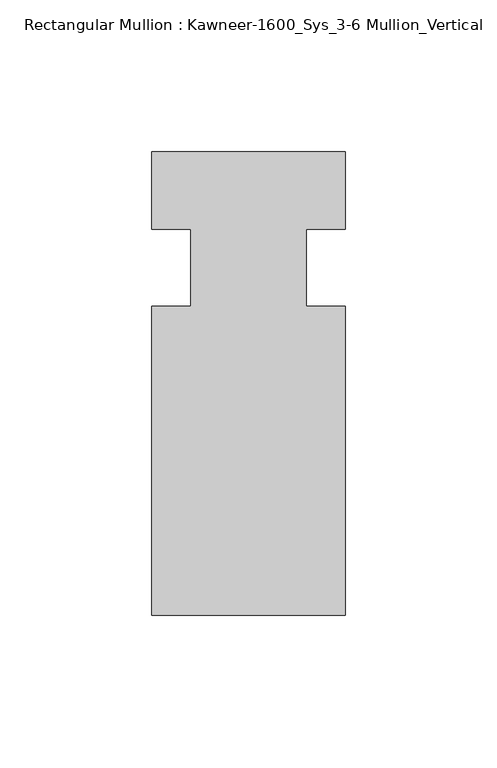
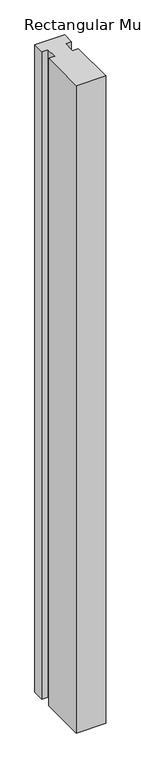
"""IFC4 building model written with IfcOpenShell, lengths in millimetres: member geometry, Rectangular Mullion : Kawneer-1600_Sys_3-6 Mullion_Vertical."""

from ifc_helpers import new_model, si_unit, frame, origin, place, context, project, spatial, polyline, outline, extrude, source, transform, mapped, element, save


def rectangular_mullion_kawneer_1600_sys_3_6_mullion_vertical_940222d6(model_context):
    return source(origin(), model_context, "Body", "SweptSolid", [
        extrude(outline(polyline([(36.0844027, -114.3), (-27.4155973, -114.3), (-27.4155973, -12.7), (-14.7155973, -12.7), (-14.7155973, 12.7), (-27.4155973, 12.7), (-27.4155973, 38.1), (36.0844027, 38.1), (36.0844027, 12.7), (23.3826322, 12.7), (23.3826322, -12.7), (36.0844027, -12.7), (36.0844027, -114.3)])), frame((0.0, 0.0, -1463.04), z_axis=(0.0, 0.0, 1.0), x_axis=(1.0, 0.0, 0.0)), (0.0, 0.0, 1.0), 1463.04),
    ])


if __name__ == "__main__":
    model = new_model("IFC4")
    model_context = context("Model", 3, world=origin())
    ifc_project = project(units=[si_unit("LENGTHUNIT", "METRE", prefix="MILLI")], contexts=[model_context])
    site = spatial("IfcSite", under=ifc_project)
    building = spatial("IfcBuilding", under=site)
    placement = place(None, origin())
    rectangular_mullion_kawneer_1600_sys_3_6_mullion_vertical_shape = rectangular_mullion_kawneer_1600_sys_3_6_mullion_vertical_940222d6(model_context)
    element("IfcMember", 1, ObjectType="Rectangular Mullion : Kawneer-1600_Sys_3-6 Mullion_Vertical", at=placement, inside=building, context=model_context, shape_type="MappedRepresentation", body=[
        mapped(rectangular_mullion_kawneer_1600_sys_3_6_mullion_vertical_shape, transform((0.0, 0.0, 0.0), x_axis=(1.0, 0.0, 0.0), y_axis=(0.0, 1.0, 0.0), z_axis=(0.0, 0.0, 1.0))),
    ])
    save(model, "model.ifc")
